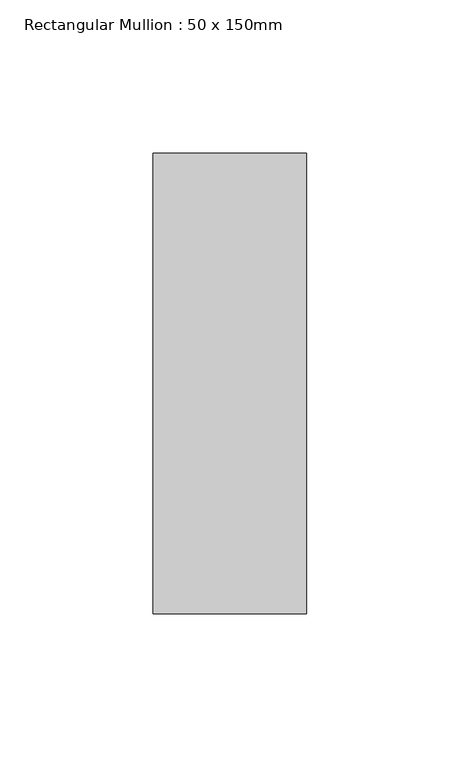
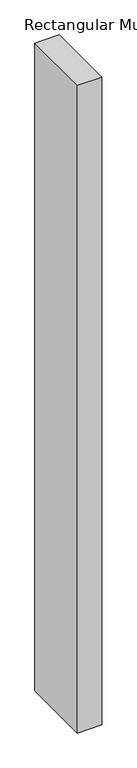
"""IFC4 building model written with IfcOpenShell, lengths in millimetres: member geometry, Rectangular Mullion : 50 x 150mm."""

from ifc_helpers import new_model, si_unit, frame, origin, place, context, project, spatial, polyline, outline, extrude, source, transform, mapped, element, save


def rectangular_mullion_50_x_150mm_dcb65e3c(model_context):
    return source(origin(), model_context, "Body", "SweptSolid", [
        extrude(outline(polyline([(0.0, 75.0), (0.0, -75.0), (-50.0, -75.0), (-50.0, 75.0), (0.0, 75.0)])), frame((0.0, 0.0, -1395.6248603), z_axis=(0.0, 0.0, 1.0), x_axis=(1.0, 0.0, 0.0)), (0.0, 0.0, 1.0), 1395.6248603),
    ])


if __name__ == "__main__":
    model = new_model("IFC4")
    model_context = context("Model", 3, world=origin())
    ifc_project = project(units=[si_unit("LENGTHUNIT", "METRE", prefix="MILLI")], contexts=[model_context])
    site = spatial("IfcSite", under=ifc_project)
    building = spatial("IfcBuilding", under=site)
    placement = place(None, origin())
    rectangular_mullion_50_x_150mm_shape = rectangular_mullion_50_x_150mm_dcb65e3c(model_context)
    element("IfcMember", 1, ObjectType="Rectangular Mullion : 50 x 150mm", at=placement, inside=building, context=model_context, shape_type="MappedRepresentation", body=[
        mapped(rectangular_mullion_50_x_150mm_shape, transform((0.0, 0.0, 0.0), x_axis=(1.0, 0.0, 0.0), y_axis=(0.0, 1.0, 0.0), z_axis=(0.0, 0.0, 1.0))),
    ])
    save(model, "model.ifc")
